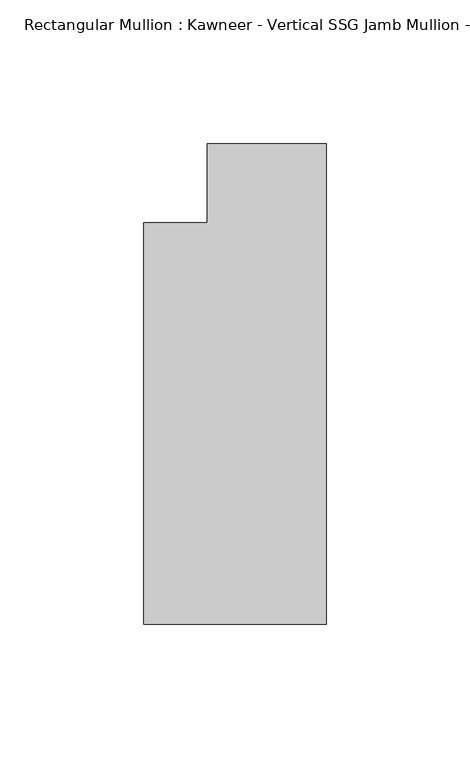
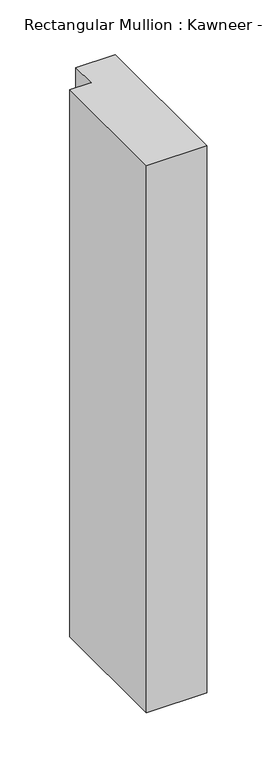
"""IFC4 building model written with IfcOpenShell, lengths in millimetres: member geometry."""

from ifc_helpers import new_model, si_unit, frame, origin, place, context, project, spatial, polyline, outline, extrude, source, transform, mapped, element, save


def member_9950e49c(model_context):
    return source(origin(), model_context, "Body", "SweptSolid", [
        extrude(outline(polyline([(0.0, -152.399995), (-63.5, -152.399995), (-63.5, -12.7), (-41.2751132, -12.7), (-41.2751132, 14.8599091), (0.0, 14.8599091), (0.0, -152.399995)])), frame((0.0, 0.0, -609.6), z_axis=(0.0, 0.0, 1.0), x_axis=(1.0, 0.0, 0.0)), (0.0, 0.0, 1.0), 609.6),
    ])


if __name__ == "__main__":
    model = new_model("IFC4")
    model_context = context("Model", 3, world=origin())
    ifc_project = project(units=[si_unit("LENGTHUNIT", "METRE", prefix="MILLI")], contexts=[model_context])
    site = spatial("IfcSite", under=ifc_project)
    building = spatial("IfcBuilding", under=site)
    placement = place(None, origin())
    member_shape = member_9950e49c(model_context)
    element("IfcMember", 1, ObjectType="Rectangular Mullion : Kawneer - Vertical SSG Jamb Mullion - 7 1/2\" - Right", at=placement, inside=building, context=model_context, shape_type="MappedRepresentation", body=[
        mapped(member_shape, transform((0.0, 0.0, 0.0), x_axis=(1.0, 0.0, 0.0), y_axis=(0.0, 1.0, 0.0), z_axis=(0.0, 0.0, 1.0))),
    ])
    save(model, "model.ifc")
